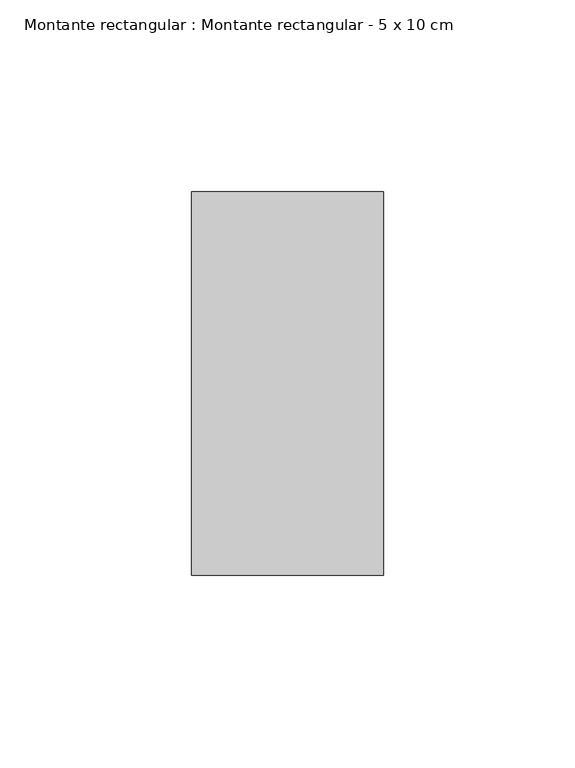
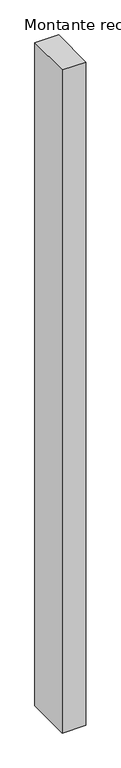
"""IFC4 building model written with IfcOpenShell, lengths in millimetres: member geometry, Montante rectangular : Montante rectangular - 5 x 10 cm."""

from ifc_helpers import new_model, si_unit, frame, origin, place, context, project, spatial, polyline, outline, extrude, source, transform, mapped, element, save


def montante_rectangular_montante_rectangular_5_x_10_cm_45d4300d(model_context):
    return source(origin(), model_context, "Body", "SweptSolid", [
        extrude(outline(polyline([(-50.0, 50.0), (0.0, 50.0), (0.0, -50.0), (-50.0, -50.0), (-50.0, 50.0)])), frame((0.0, 0.0, -1482.4904288), z_axis=(0.0, 0.0, 1.0), x_axis=(1.0, 0.0, 0.0)), (0.0, 0.0, 1.0), 1482.4904288),
    ])


if __name__ == "__main__":
    model = new_model("IFC4")
    model_context = context("Model", 3, world=origin())
    ifc_project = project(units=[si_unit("LENGTHUNIT", "METRE", prefix="MILLI")], contexts=[model_context])
    site = spatial("IfcSite", under=ifc_project)
    building = spatial("IfcBuilding", under=site)
    placement = place(None, origin())
    montante_rectangular_montante_rectangular_5_x_10_cm_shape = montante_rectangular_montante_rectangular_5_x_10_cm_45d4300d(model_context)
    element("IfcMember", 1, ObjectType="Montante rectangular : Montante rectangular - 5 x 10 cm", at=placement, inside=building, context=model_context, shape_type="MappedRepresentation", body=[
        mapped(montante_rectangular_montante_rectangular_5_x_10_cm_shape, transform((0.0, 0.0, 0.0), x_axis=(1.0, 0.0, 0.0), y_axis=(0.0, 1.0, 0.0), z_axis=(0.0, 0.0, 1.0))),
    ])
    save(model, "model.ifc")
